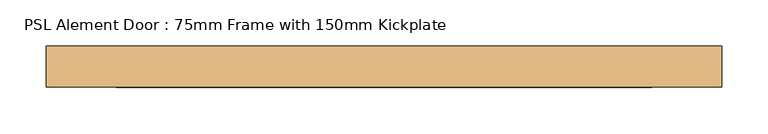
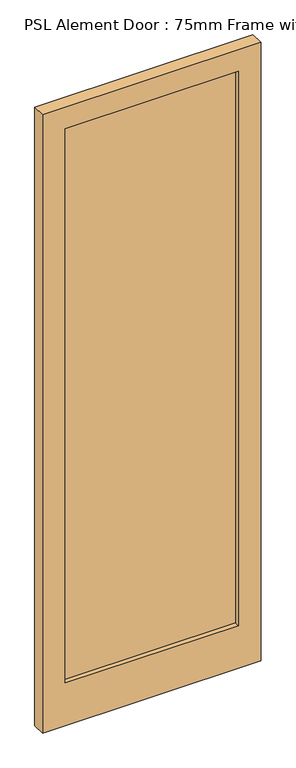
"""IFC4 building model written with IfcOpenShell, lengths in millimetres: door geometry, PSL Alement Door : 75mm Frame with 150mm Kickplate."""

from ifc_helpers import new_model, si_unit, frame, origin, place, context, project, spatial, polyline, outline, extrude, source, transform, mapped, element, save


def psl_alement_door_75mm_frame_with_150mm_kickplate_1f9763b1(model_context):
    return source(origin(), model_context, "Body", "SweptSolid", [
        extrude(outline(polyline([(288.5, -6.0), (-288.5, -6.0), (-288.5, 6.0), (288.5, 6.0), (288.5, -6.0)])), frame((0.0, 0.0, 150.0), z_axis=(0.0, 0.0, 1.0), x_axis=(1.0, 0.0, 0.0)), (0.0, 0.0, 1.0), 1949.0),
        extrude(outline(polyline([(0.0, -363.5), (0.0, 363.5), (2174.0, 363.5), (2174.0, -363.5), (0.0, -363.5)]), holes=[polyline([(2099.0, 288.5), (150.0, 288.5), (150.0, -288.5), (2099.0, -288.5), (2099.0, 288.5)])]), frame((0.0, -22.0, 0.0), z_axis=(0.0, 1.0, 0.0), x_axis=(0.0, 0.0, 1.0)), (0.0, 0.0, 1.0), 44.0),
    ])


if __name__ == "__main__":
    model = new_model("IFC4")
    model_context = context("Model", 3, world=origin())
    ifc_project = project(units=[si_unit("LENGTHUNIT", "METRE", prefix="MILLI")], contexts=[model_context])
    site = spatial("IfcSite", under=ifc_project)
    building = spatial("IfcBuilding", under=site)
    placement = place(None, origin())
    psl_alement_door_75mm_frame_with_150mm_kickplate_shape = psl_alement_door_75mm_frame_with_150mm_kickplate_1f9763b1(model_context)
    element("IfcDoor", 1, ObjectType="PSL Alement Door : 75mm Frame with 150mm Kickplate", at=placement, inside=building, context=model_context, shape_type="MappedRepresentation", body=[
        mapped(psl_alement_door_75mm_frame_with_150mm_kickplate_shape, transform((0.0, 0.0, 0.0), x_axis=(1.0, 0.0, 0.0), y_axis=(0.0, 1.0, 0.0), z_axis=(0.0, 0.0, 1.0))),
    ])
    save(model, "model.ifc")
